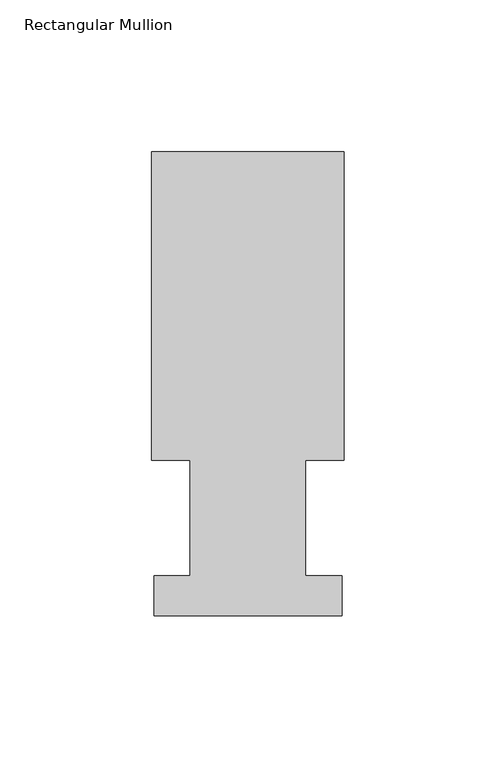
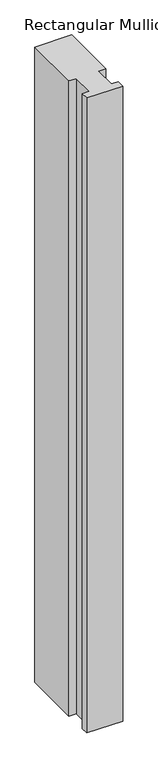
"""IFC4 building model written with IfcOpenShell, lengths in millimetres: member geometry, Rectangular Mullion."""

from ifc_helpers import new_model, si_unit, frame, origin, place, context, project, spatial, polyline, outline, extrude, source, transform, mapped, element, save


def rectangular_mullion_f5643b36(model_context):
    return source(origin(), model_context, "Body", "SweptSolid", [
        extrude(outline(polyline([(-31.7500003, 152.8960938), (31.7499997, 152.8960938), (31.7499997, 51.2960938), (19.0499991, 51.2960938), (19.0499991, 13.1960938), (30.9626022, 13.1960938), (30.9626022, 0.0084138), (-30.9625988, 0.0084138), (-30.9625988, 13.1960937), (-19.0499997, 13.1960937), (-19.0499997, 51.2960938), (-31.7500003, 51.2960938), (-31.7500003, 152.8960938)])), frame((0.0, 0.0, -1155.6849798), z_axis=(0.0, 0.0, 1.0), x_axis=(1.0, 0.0, 0.0)), (0.0, 0.0, 1.0), 1155.6849798),
    ])


if __name__ == "__main__":
    model = new_model("IFC4")
    model_context = context("Model", 3, world=origin())
    ifc_project = project(units=[si_unit("LENGTHUNIT", "METRE", prefix="MILLI")], contexts=[model_context])
    site = spatial("IfcSite", under=ifc_project)
    building = spatial("IfcBuilding", under=site)
    placement = place(None, origin())
    rectangular_mullion_shape = rectangular_mullion_f5643b36(model_context)
    element("IfcMember", 1, ObjectType="Rectangular Mullion", at=placement, inside=building, context=model_context, shape_type="MappedRepresentation", body=[
        mapped(rectangular_mullion_shape, transform((0.0, 0.0, 0.0), x_axis=(1.0, 0.0, 0.0), y_axis=(0.0, 1.0, 0.0), z_axis=(0.0, 0.0, 1.0))),
    ])
    save(model, "model.ifc")
